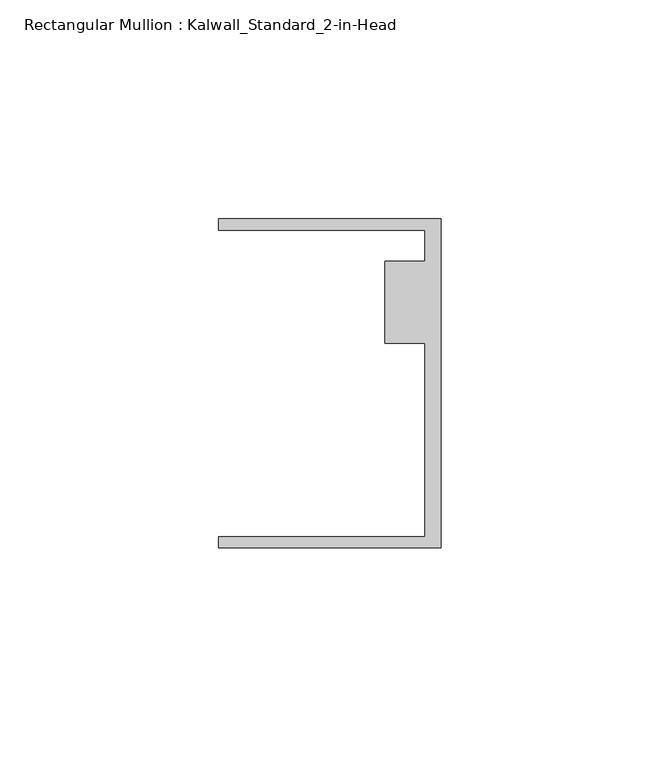
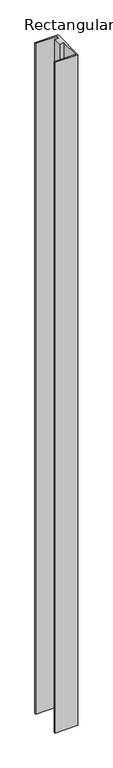
"""IFC4 building model written with IfcOpenShell, lengths in millimetres: member geometry, Rectangular Mullion : Kalwall_Standard_2-in-Head."""

from ifc_helpers import new_model, si_unit, frame, origin, place, context, project, spatial, polyline, outline, extrude, source, transform, mapped, element, save


def rectangular_mullion_kalwall_standard_2_in_head_de7e47fa(model_context):
    return source(origin(), model_context, "Body", "SweptSolid", [
        extrude(outline(polyline([(0.0, 37.5776386), (0.0, -37.5023614), (-50.8, -37.5023614), (-50.8, -34.9623614), (-3.7084, -34.9623614), (-3.7084, 9.1879886), (-12.8272539, 9.1879886), (-12.8272539, 27.8888568), (-3.7084, 27.8888568), (-3.7084, 35.0376386), (-50.8, 35.0376386), (-50.8, 37.5776386), (0.0, 37.5776386)])), frame((0.0, 0.0, -1552.956), z_axis=(0.0, 0.0, 1.0), x_axis=(1.0, 0.0, 0.0)), (0.0, 0.0, 1.0), 1552.956),
    ])


if __name__ == "__main__":
    model = new_model("IFC4")
    model_context = context("Model", 3, world=origin())
    ifc_project = project(units=[si_unit("LENGTHUNIT", "METRE", prefix="MILLI")], contexts=[model_context])
    site = spatial("IfcSite", under=ifc_project)
    building = spatial("IfcBuilding", under=site)
    placement = place(None, origin())
    rectangular_mullion_kalwall_standard_2_in_head_shape = rectangular_mullion_kalwall_standard_2_in_head_de7e47fa(model_context)
    element("IfcMember", 1, ObjectType="Rectangular Mullion : Kalwall_Standard_2-in-Head", at=placement, inside=building, context=model_context, shape_type="MappedRepresentation", body=[
        mapped(rectangular_mullion_kalwall_standard_2_in_head_shape, transform((0.0, 0.0, 0.0), x_axis=(1.0, 0.0, 0.0), y_axis=(0.0, 1.0, 0.0), z_axis=(0.0, 0.0, 1.0))),
    ])
    save(model, "model.ifc")
